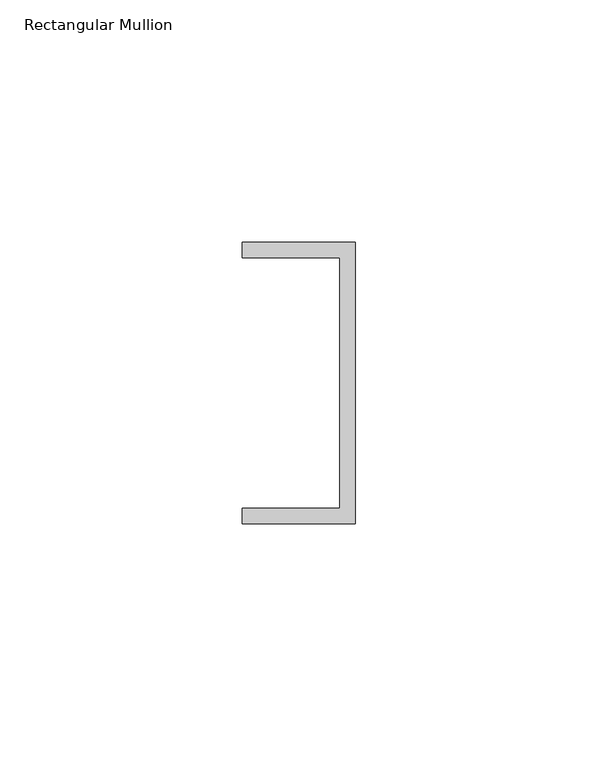
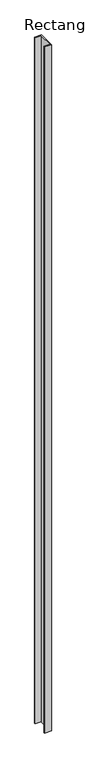
"""IFC4 building model written with IfcOpenShell, lengths in millimetres: member geometry, Rectangular Mullion."""

from ifc_helpers import new_model, si_unit, frame, origin, place, context, project, spatial, polyline, outline, extrude, source, transform, mapped, element, save


def rectangular_mullion_0f186f63(model_context):
    return source(origin(), model_context, "Body", "SweptSolid", [
        extrude(outline(polyline([(0.0, 29.0214844), (0.0, -29.0214844), (-23.3164063, -29.0214844), (-23.3164063, -25.8464844), (-3.175, -25.8464844), (-3.175, 25.8464844), (-23.3164063, 25.8464844), (-23.3164063, 29.0214844), (0.0, 29.0214844)])), frame((0.0, 0.0, -2484.040625), z_axis=(0.0, 0.0, 1.0), x_axis=(1.0, 0.0, 0.0)), (0.0, 0.0, 1.0), 2484.040625),
    ])


if __name__ == "__main__":
    model = new_model("IFC4")
    model_context = context("Model", 3, world=origin())
    ifc_project = project(units=[si_unit("LENGTHUNIT", "METRE", prefix="MILLI")], contexts=[model_context])
    site = spatial("IfcSite", under=ifc_project)
    building = spatial("IfcBuilding", under=site)
    placement = place(None, origin())
    rectangular_mullion_shape = rectangular_mullion_0f186f63(model_context)
    element("IfcMember", 1, ObjectType="Rectangular Mullion", at=placement, inside=building, context=model_context, shape_type="MappedRepresentation", body=[
        mapped(rectangular_mullion_shape, transform((0.0, 0.0, 0.0), x_axis=(1.0, 0.0, 0.0), y_axis=(0.0, 1.0, 0.0), z_axis=(0.0, 0.0, 1.0))),
    ])
    save(model, "model.ifc")
